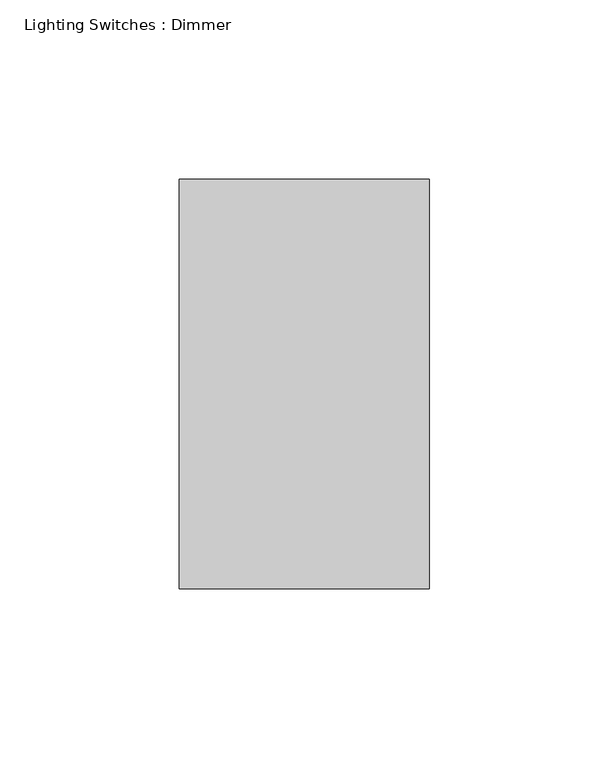
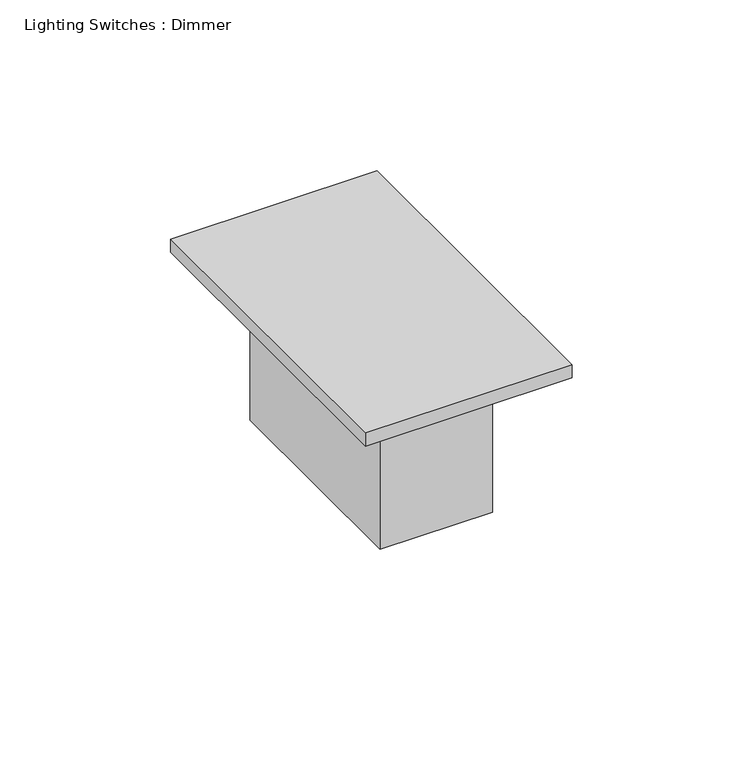
"""IFC4 building model written with IfcOpenShell, lengths in millimetres: switching device geometry, Lighting Switches : Dimmer."""

import ifcopenshell
import ifcopenshell.guid

model = None  # the IFC model being written
_history = None  # IfcOwnerHistory: only IFC2X3 demands one
_inside = {}  # id of a spatial element -> (the spatial element, [elements in it])
_under = {}  # id of a project, library or spatial element -> (it, [spatial elements below it])
_declared = {}  # id of a project -> (the project, [libraries it declares])
_typed = {}  # id of a type object -> (the type object, [elements of that type])
_made_of = {}  # id of a material, layer set ... -> (it, [elements and type objects made of it])


def new_model(schema):
    """Start an empty IFC model of exactly this schema.

    Asked for "IFC4X3", IfcOpenShell would pick the latest addendum, in which some entities
    have other attributes; the version numbers below select the first issue.
    IFC2X3 requires an IfcOwnerHistory on every rooted entity: one is made here for all.
    """
    global model, _history
    if schema == "IFC4X3":
        model = ifcopenshell.file(schema_version=(4, 3, 0, 0))
    else:
        model = ifcopenshell.file(schema=schema)
    _inside.clear()
    _under.clear()
    _declared.clear()
    _typed.clear()
    _made_of.clear()
    _history = None
    if model.schema == "IFC2X3":
        org = make("IfcOrganization", Name="unknown")
        user = make(
            "IfcPersonAndOrganization",
            ThePerson=make("IfcPerson", FamilyName="unknown"),
            TheOrganization=org,
        )
        app = make(
            "IfcApplication",
            ApplicationDeveloper=org,
            Version="unknown",
            ApplicationFullName="unknown",
            ApplicationIdentifier="unknown",
        )
        _history = make(
            "IfcOwnerHistory",
            OwningUser=user,
            OwningApplication=app,
            ChangeAction="ADDED",
            CreationDate=0,
        )
    return model


def make(cls, **values):
    """One entity of the class cls with the attributes given. An attribute that is None is left unset."""
    return model.create_entity(
        cls, **{name: value for name, value in values.items() if value is not None}
    )


def rooted(cls, **values):
    """An entity with a GlobalId (a new one), such as an element, a storey or a relation."""
    return make(cls, GlobalId=ifcopenshell.guid.new(), OwnerHistory=_history, **values)


def si_unit(unit_type, name, prefix=None):
    """IfcSIUnit, for example si_unit("LENGTHUNIT", "METRE", prefix="MILLI")."""
    return make("IfcSIUnit", UnitType=unit_type, Prefix=prefix, Name=name)


def assignment(units):
    """IfcUnitAssignment: the units of a project."""
    return None if units is None else make("IfcUnitAssignment", Units=units)


def point(xyz):
    """IfcCartesianPoint."""
    return None if xyz is None else make("IfcCartesianPoint", Coordinates=xyz)


def direction(xyz):
    """IfcDirection."""
    return None if xyz is None else make("IfcDirection", DirectionRatios=xyz)


def frame(location, z_axis=None, x_axis=None):
    """IfcAxis2Placement3D, a coordinate frame: its origin and axes. An axis left out is left unset."""
    return make(
        "IfcAxis2Placement3D",
        Location=point(location),
        Axis=direction(z_axis),
        RefDirection=direction(x_axis),
    )


def origin():
    """The frame at (0, 0, 0) with its axes left unset."""
    return frame((0.0, 0.0, 0.0))


def origin_with_axes():
    """The frame at (0, 0, 0) with the z axis (0, 0, 1) and the x axis (1, 0, 0) written out."""
    return frame((0.0, 0.0, 0.0), z_axis=(0.0, 0.0, 1.0), x_axis=(1.0, 0.0, 0.0))


def place(relative_to, where):
    """IfcLocalPlacement: puts the frame where relative to a parent placement (None: the world)."""
    return make(
        "IfcLocalPlacement", PlacementRelTo=relative_to, RelativePlacement=where
    )


def context(
    kind, dimensions, precision=None, world=None, true_north=None, identifier=None
):
    """IfcGeometricRepresentationContext, for example the 3D "Model" context."""
    return make(
        "IfcGeometricRepresentationContext",
        ContextIdentifier=identifier,
        ContextType=kind,
        CoordinateSpaceDimension=dimensions,
        Precision=precision,
        WorldCoordinateSystem=world,
        TrueNorth=true_north,
    )


def project(units=None, contexts=None):
    """IfcProject with its units and contexts."""
    return rooted(
        "IfcProject",
        Name="project",
        RepresentationContexts=contexts,
        UnitsInContext=assignment(units),
    )


def spatial(cls, under=None, at=None, **own):
    """A site, building, storey or space (cls), placed at a placement, below another one or the project."""
    s = rooted(cls, ObjectPlacement=at, **own)
    if under is not None:
        _under.setdefault(under.id(), (under, []))[1].append(s)
    return s


def polyline(points):
    """IfcPolyline through the points."""
    return make("IfcPolyline", Points=[point(p) for p in points])


def outline(outer, holes=None, kind="AREA"):
    """IfcArbitraryClosedProfileDef: a profile drawn as a closed curve; with holes, ...WithVoids."""
    if holes is None:
        return make("IfcArbitraryClosedProfileDef", ProfileType=kind, OuterCurve=outer)
    return make(
        "IfcArbitraryProfileDefWithVoids",
        ProfileType=kind,
        OuterCurve=outer,
        InnerCurves=holes,
    )


def extrude(swept, where, along, depth):
    """IfcExtrudedAreaSolid: the profile swept, set in the frame where, extruded along a direction by depth."""
    return make(
        "IfcExtrudedAreaSolid",
        SweptArea=swept,
        Position=where,
        ExtrudedDirection=direction(along),
        Depth=depth,
    )


def shape(context_of_items, identifier, shape_type, items):
    """IfcShapeRepresentation: the items that make up one representation, for example the "Body"."""
    return make(
        "IfcShapeRepresentation",
        ContextOfItems=context_of_items,
        RepresentationIdentifier=identifier,
        RepresentationType=shape_type,
        Items=items,
    )


def source(mapping_origin, context_of_items, identifier, shape_type, items):
    """IfcRepresentationMap: a shape defined once, which mapped items show again and again."""
    return make(
        "IfcRepresentationMap",
        MappingOrigin=mapping_origin,
        MappedRepresentation=shape(context_of_items, identifier, shape_type, items),
    )


def transform(
    local_origin,
    x_axis=None,
    y_axis=None,
    z_axis=None,
    scale=None,
    scale2=None,
    scale3=None,
    uniform=True,
):
    """IfcCartesianTransformationOperator3D, or its non-uniform kind. x_axis, y_axis, z_axis: its Axis1, 2, 3."""
    if uniform:
        return make(
            "IfcCartesianTransformationOperator3D",
            Axis1=direction(x_axis),
            Axis2=direction(y_axis),
            LocalOrigin=point(local_origin),
            Scale=scale,
            Axis3=direction(z_axis),
        )
    return make(
        "IfcCartesianTransformationOperator3DnonUniform",
        Axis1=direction(x_axis),
        Axis2=direction(y_axis),
        LocalOrigin=point(local_origin),
        Scale=scale,
        Axis3=direction(z_axis),
        Scale2=scale2,
        Scale3=scale3,
    )


def mapped(mapping_source, mapping_target):
    """IfcMappedItem: shows the shape of a source again, moved by a transform."""
    return make(
        "IfcMappedItem", MappingSource=mapping_source, MappingTarget=mapping_target
    )


def made_of(thing, what):
    """Note that an element or type object is made of a material, layer set ...; save() writes the relation."""
    if what is not None:
        _made_of.setdefault(what.id(), (what, []))[1].append(thing)
    return thing


def element(
    cls,
    number,
    at=None,
    inside=None,
    cuts=None,
    type_object=None,
    material=None,
    context=None,
    identifier="Body",
    shape_type=None,
    held_by="IfcProductDefinitionShape",
    body=None,
    shapes=None,
    **own,
):
    """One element of the class cls, such as IfcWall. Its Tag is "e" and its number.

    at: its placement. inside: the storey or other place that contains it. cuts: it is an
    opening in that element (IfcRelVoidsElement). A single representation is given by context,
    identifier, shape_type and body (its items); several are given by shapes. held_by: the class
    of the entity that holds the representations. save() writes the other relations.
    """
    e = rooted(cls, Tag="e%d" % number, ObjectPlacement=at, **own)
    if body is not None:
        shapes = [shape(context, identifier, shape_type, body)]
    if shapes is not None:
        e.Representation = make(held_by, Representations=shapes)
    if inside is not None:
        _inside.setdefault(inside.id(), (inside, []))[1].append(e)
    if cuts is not None:
        rooted(
            "IfcRelVoidsElement", RelatingBuildingElement=cuts, RelatedOpeningElement=e
        )
    if type_object is not None:
        _typed.setdefault(type_object.id(), (type_object, []))[1].append(e)
    return made_of(e, material)


def aggregate(whole, parts):
    """IfcRelAggregates: a whole, such as a stair, and the parts it consists of."""
    return rooted("IfcRelAggregates", RelatingObject=whole, RelatedObjects=parts)


def save(model, path):
    """Write the relations noted so far, then the file.

    IfcRelAggregates (storeys below a building ...), IfcRelContainedInSpatialStructure (elements
    in a storey), IfcRelDefinesByType, IfcRelAssociatesMaterial and IfcRelDeclares: one each for
    every whole, place, type object, material and project.
    """
    for whole, parts in _under.values():
        aggregate(whole, parts)
    for where, things in _inside.values():
        rooted(
            "IfcRelContainedInSpatialStructure",
            RelatedElements=things,
            RelatingStructure=where,
        )
    for kind, things in _typed.values():
        rooted("IfcRelDefinesByType", RelatedObjects=things, RelatingType=kind)
    for what, things in _made_of.values():
        rooted("IfcRelAssociatesMaterial", RelatedObjects=things, RelatingMaterial=what)
    for by, libraries in _declared.values():
        rooted("IfcRelDeclares", RelatingContext=by, RelatedDefinitions=libraries)
    model.write(path)


def lighting_switches_dimmer_10251bba(model_context):
    return source(origin(), model_context, "Body", "SweptSolid", [
        extrude(outline(polyline([(19.05, 38.1), (19.05, -38.1), (-19.05, -38.1), (-19.05, 38.1), (19.05, 38.1)])), frame((0.0, 0.0, -53.975), z_axis=(0.0, 0.0, 1.0), x_axis=(1.0, 0.0, 0.0)), (0.0, 0.0, 1.0), 53.975),
        extrude(outline(polyline([(34.925, 57.15), (34.925, -57.15), (-34.925, -57.15), (-34.925, 57.15), (34.925, 57.15)])), origin_with_axes(), (0.0, 0.0, 1.0), 4.7625),
    ])


if __name__ == "__main__":
    model = new_model("IFC4")
    model_context = context("Model", 3, world=origin())
    ifc_project = project(units=[si_unit("LENGTHUNIT", "METRE", prefix="MILLI")], contexts=[model_context])
    site = spatial("IfcSite", under=ifc_project)
    building = spatial("IfcBuilding", under=site)
    placement = place(None, origin())
    lighting_switches_dimmer_shape = lighting_switches_dimmer_10251bba(model_context)
    element("IfcSwitchingDevice", 1, ObjectType="Lighting Switches : Dimmer", at=placement, inside=building, context=model_context, shape_type="MappedRepresentation", body=[
        mapped(lighting_switches_dimmer_shape, transform((0.0, 0.0, 0.0), x_axis=(1.0, 0.0, 0.0), y_axis=(0.0, 1.0, 0.0), z_axis=(0.0, 0.0, 1.0))),
    ])
    save(model, "model.ifc")
